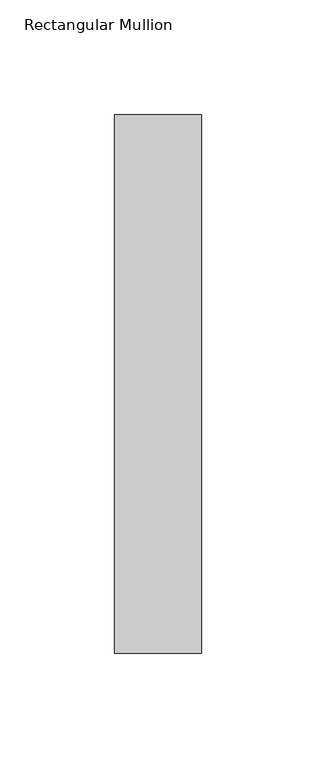
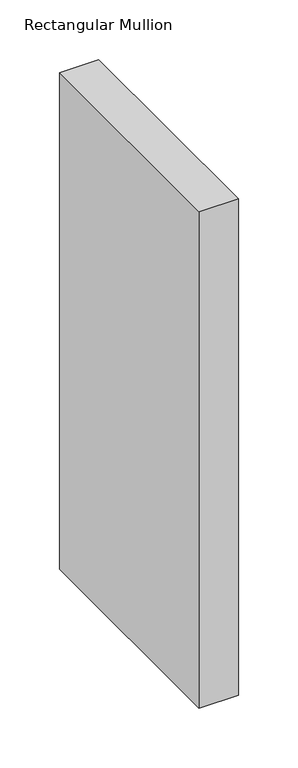
"""IFC4 building model written with IfcOpenShell, lengths in millimetres: member geometry, Rectangular Mullion."""

import ifcopenshell
import ifcopenshell.guid

model = None  # the IFC model being written
_history = None  # IfcOwnerHistory: only IFC2X3 demands one
_inside = {}  # id of a spatial element -> (the spatial element, [elements in it])
_under = {}  # id of a project, library or spatial element -> (it, [spatial elements below it])
_declared = {}  # id of a project -> (the project, [libraries it declares])
_typed = {}  # id of a type object -> (the type object, [elements of that type])
_made_of = {}  # id of a material, layer set ... -> (it, [elements and type objects made of it])


def new_model(schema):
    """Start an empty IFC model of exactly this schema.

    Asked for "IFC4X3", IfcOpenShell would pick the latest addendum, in which some entities
    have other attributes; the version numbers below select the first issue.
    IFC2X3 requires an IfcOwnerHistory on every rooted entity: one is made here for all.
    """
    global model, _history
    if schema == "IFC4X3":
        model = ifcopenshell.file(schema_version=(4, 3, 0, 0))
    else:
        model = ifcopenshell.file(schema=schema)
    _inside.clear()
    _under.clear()
    _declared.clear()
    _typed.clear()
    _made_of.clear()
    _history = None
    if model.schema == "IFC2X3":
        org = make("IfcOrganization", Name="unknown")
        user = make(
            "IfcPersonAndOrganization",
            ThePerson=make("IfcPerson", FamilyName="unknown"),
            TheOrganization=org,
        )
        app = make(
            "IfcApplication",
            ApplicationDeveloper=org,
            Version="unknown",
            ApplicationFullName="unknown",
            ApplicationIdentifier="unknown",
        )
        _history = make(
            "IfcOwnerHistory",
            OwningUser=user,
            OwningApplication=app,
            ChangeAction="ADDED",
            CreationDate=0,
        )
    return model


def make(cls, **values):
    """One entity of the class cls with the attributes given. An attribute that is None is left unset."""
    return model.create_entity(
        cls, **{name: value for name, value in values.items() if value is not None}
    )


def rooted(cls, **values):
    """An entity with a GlobalId (a new one), such as an element, a storey or a relation."""
    return make(cls, GlobalId=ifcopenshell.guid.new(), OwnerHistory=_history, **values)


def si_unit(unit_type, name, prefix=None):
    """IfcSIUnit, for example si_unit("LENGTHUNIT", "METRE", prefix="MILLI")."""
    return make("IfcSIUnit", UnitType=unit_type, Prefix=prefix, Name=name)


def assignment(units):
    """IfcUnitAssignment: the units of a project."""
    return None if units is None else make("IfcUnitAssignment", Units=units)


def point(xyz):
    """IfcCartesianPoint."""
    return None if xyz is None else make("IfcCartesianPoint", Coordinates=xyz)


def direction(xyz):
    """IfcDirection."""
    return None if xyz is None else make("IfcDirection", DirectionRatios=xyz)


def frame(location, z_axis=None, x_axis=None):
    """IfcAxis2Placement3D, a coordinate frame: its origin and axes. An axis left out is left unset."""
    return make(
        "IfcAxis2Placement3D",
        Location=point(location),
        Axis=direction(z_axis),
        RefDirection=direction(x_axis),
    )


def origin():
    """The frame at (0, 0, 0) with its axes left unset."""
    return frame((0.0, 0.0, 0.0))


def place(relative_to, where):
    """IfcLocalPlacement: puts the frame where relative to a parent placement (None: the world)."""
    return make(
        "IfcLocalPlacement", PlacementRelTo=relative_to, RelativePlacement=where
    )


def context(
    kind, dimensions, precision=None, world=None, true_north=None, identifier=None
):
    """IfcGeometricRepresentationContext, for example the 3D "Model" context."""
    return make(
        "IfcGeometricRepresentationContext",
        ContextIdentifier=identifier,
        ContextType=kind,
        CoordinateSpaceDimension=dimensions,
        Precision=precision,
        WorldCoordinateSystem=world,
        TrueNorth=true_north,
    )


def project(units=None, contexts=None):
    """IfcProject with its units and contexts."""
    return rooted(
        "IfcProject",
        Name="project",
        RepresentationContexts=contexts,
        UnitsInContext=assignment(units),
    )


def spatial(cls, under=None, at=None, **own):
    """A site, building, storey or space (cls), placed at a placement, below another one or the project."""
    s = rooted(cls, ObjectPlacement=at, **own)
    if under is not None:
        _under.setdefault(under.id(), (under, []))[1].append(s)
    return s


def polyline(points):
    """IfcPolyline through the points."""
    return make("IfcPolyline", Points=[point(p) for p in points])


def outline(outer, holes=None, kind="AREA"):
    """IfcArbitraryClosedProfileDef: a profile drawn as a closed curve; with holes, ...WithVoids."""
    if holes is None:
        return make("IfcArbitraryClosedProfileDef", ProfileType=kind, OuterCurve=outer)
    return make(
        "IfcArbitraryProfileDefWithVoids",
        ProfileType=kind,
        OuterCurve=outer,
        InnerCurves=holes,
    )


def extrude(swept, where, along, depth):
    """IfcExtrudedAreaSolid: the profile swept, set in the frame where, extruded along a direction by depth."""
    return make(
        "IfcExtrudedAreaSolid",
        SweptArea=swept,
        Position=where,
        ExtrudedDirection=direction(along),
        Depth=depth,
    )


def shape(context_of_items, identifier, shape_type, items):
    """IfcShapeRepresentation: the items that make up one representation, for example the "Body"."""
    return make(
        "IfcShapeRepresentation",
        ContextOfItems=context_of_items,
        RepresentationIdentifier=identifier,
        RepresentationType=shape_type,
        Items=items,
    )


def source(mapping_origin, context_of_items, identifier, shape_type, items):
    """IfcRepresentationMap: a shape defined once, which mapped items show again and again."""
    return make(
        "IfcRepresentationMap",
        MappingOrigin=mapping_origin,
        MappedRepresentation=shape(context_of_items, identifier, shape_type, items),
    )


def transform(
    local_origin,
    x_axis=None,
    y_axis=None,
    z_axis=None,
    scale=None,
    scale2=None,
    scale3=None,
    uniform=True,
):
    """IfcCartesianTransformationOperator3D, or its non-uniform kind. x_axis, y_axis, z_axis: its Axis1, 2, 3."""
    if uniform:
        return make(
            "IfcCartesianTransformationOperator3D",
            Axis1=direction(x_axis),
            Axis2=direction(y_axis),
            LocalOrigin=point(local_origin),
            Scale=scale,
            Axis3=direction(z_axis),
        )
    return make(
        "IfcCartesianTransformationOperator3DnonUniform",
        Axis1=direction(x_axis),
        Axis2=direction(y_axis),
        LocalOrigin=point(local_origin),
        Scale=scale,
        Axis3=direction(z_axis),
        Scale2=scale2,
        Scale3=scale3,
    )


def mapped(mapping_source, mapping_target):
    """IfcMappedItem: shows the shape of a source again, moved by a transform."""
    return make(
        "IfcMappedItem", MappingSource=mapping_source, MappingTarget=mapping_target
    )


def made_of(thing, what):
    """Note that an element or type object is made of a material, layer set ...; save() writes the relation."""
    if what is not None:
        _made_of.setdefault(what.id(), (what, []))[1].append(thing)
    return thing


def element(
    cls,
    number,
    at=None,
    inside=None,
    cuts=None,
    type_object=None,
    material=None,
    context=None,
    identifier="Body",
    shape_type=None,
    held_by="IfcProductDefinitionShape",
    body=None,
    shapes=None,
    **own,
):
    """One element of the class cls, such as IfcWall. Its Tag is "e" and its number.

    at: its placement. inside: the storey or other place that contains it. cuts: it is an
    opening in that element (IfcRelVoidsElement). A single representation is given by context,
    identifier, shape_type and body (its items); several are given by shapes. held_by: the class
    of the entity that holds the representations. save() writes the other relations.
    """
    e = rooted(cls, Tag="e%d" % number, ObjectPlacement=at, **own)
    if body is not None:
        shapes = [shape(context, identifier, shape_type, body)]
    if shapes is not None:
        e.Representation = make(held_by, Representations=shapes)
    if inside is not None:
        _inside.setdefault(inside.id(), (inside, []))[1].append(e)
    if cuts is not None:
        rooted(
            "IfcRelVoidsElement", RelatingBuildingElement=cuts, RelatedOpeningElement=e
        )
    if type_object is not None:
        _typed.setdefault(type_object.id(), (type_object, []))[1].append(e)
    return made_of(e, material)


def aggregate(whole, parts):
    """IfcRelAggregates: a whole, such as a stair, and the parts it consists of."""
    return rooted("IfcRelAggregates", RelatingObject=whole, RelatedObjects=parts)


def save(model, path):
    """Write the relations noted so far, then the file.

    IfcRelAggregates (storeys below a building ...), IfcRelContainedInSpatialStructure (elements
    in a storey), IfcRelDefinesByType, IfcRelAssociatesMaterial and IfcRelDeclares: one each for
    every whole, place, type object, material and project.
    """
    for whole, parts in _under.values():
        aggregate(whole, parts)
    for where, things in _inside.values():
        rooted(
            "IfcRelContainedInSpatialStructure",
            RelatedElements=things,
            RelatingStructure=where,
        )
    for kind, things in _typed.values():
        rooted("IfcRelDefinesByType", RelatedObjects=things, RelatingType=kind)
    for what, things in _made_of.values():
        rooted("IfcRelAssociatesMaterial", RelatedObjects=things, RelatingMaterial=what)
    for by, libraries in _declared.values():
        rooted("IfcRelDeclares", RelatingContext=by, RelatedDefinitions=libraries)
    model.write(path)


def rectangular_mullion_54fd6054(model_context):
    return source(origin(), model_context, "Body", "SweptSolid", [
        extrude(outline(polyline([(0.0, 235.0), (0.0, 0.0), (-38.0, 0.0), (-38.0, 235.0), (0.0, 235.0)])), frame((0.0, 0.0, -509.5000002), z_axis=(0.0, 0.0, 1.0), x_axis=(1.0, 0.0, 0.0)), (0.0, 0.0, 1.0), 509.5000002),
    ])


if __name__ == "__main__":
    model = new_model("IFC4")
    model_context = context("Model", 3, world=origin())
    ifc_project = project(units=[si_unit("LENGTHUNIT", "METRE", prefix="MILLI")], contexts=[model_context])
    site = spatial("IfcSite", under=ifc_project)
    building = spatial("IfcBuilding", under=site)
    placement = place(None, origin())
    rectangular_mullion_shape = rectangular_mullion_54fd6054(model_context)
    element("IfcMember", 1, ObjectType="Rectangular Mullion", at=placement, inside=building, context=model_context, shape_type="MappedRepresentation", body=[
        mapped(rectangular_mullion_shape, transform((0.0, 0.0, 0.0), x_axis=(1.0, 0.0, 0.0), y_axis=(0.0, 1.0, 0.0), z_axis=(0.0, 0.0, 1.0))),
    ])
    save(model, "model.ifc")
